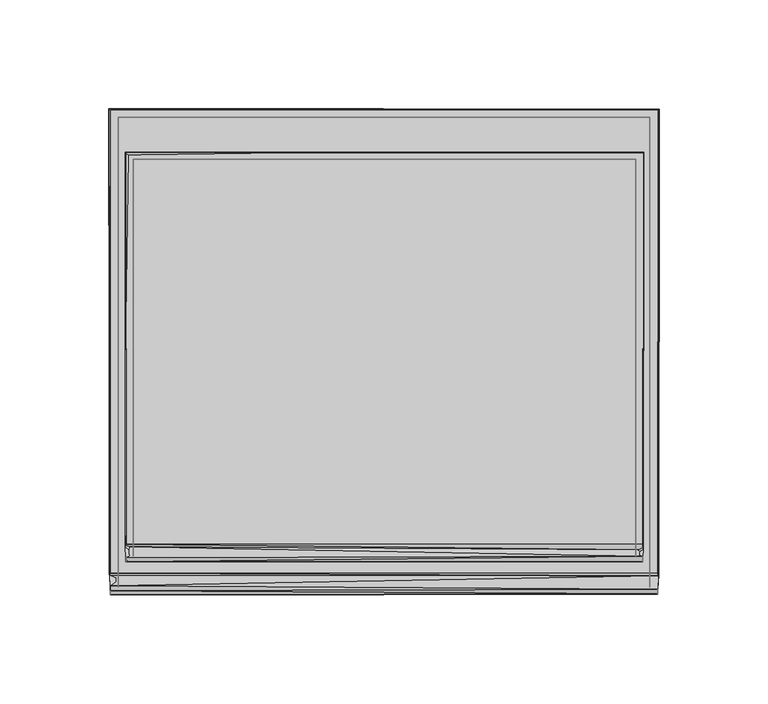
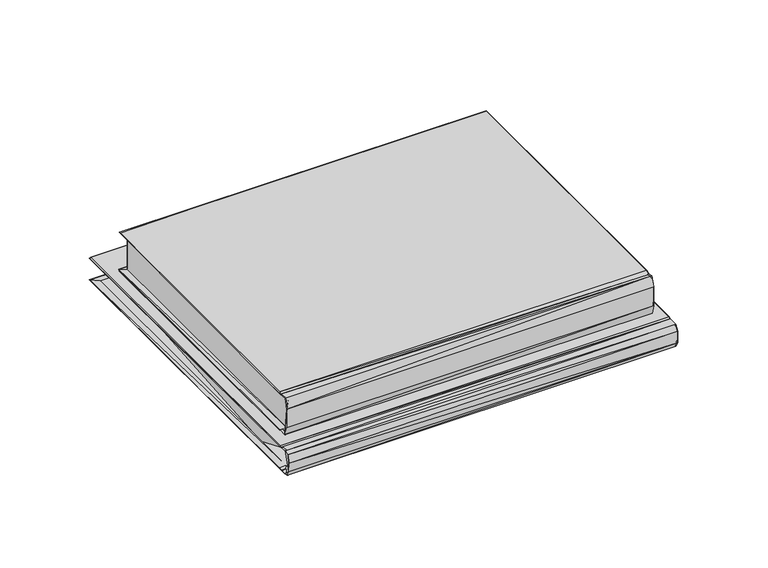
"""IFC4 building model written with IfcOpenShell, lengths in millimetres: furniture geometry."""

from ifc_helpers import new_model, si_unit, origin, place, context, project, spatial, triangles, source, transform, mapped, element, save


def furniture_6673afe1(model_context):
    return source(origin(), model_context, "Body", "Tessellation", [
        triangles([(119.0646256, -89.5897895, 16.9807892), (-118.4763803, -94.0050996, 16.5782055), (-118.772792, -89.4104309, 17.1225218), (118.8466338, -96.4791492, 23.0682277), (118.853165, -94.5050237, 16.6934578), (-118.4794142, -96.4487459, 22.6212301), (-118.4686682, -88.3772818, 16.000964), (118.8545367, 91.350992, 15.9984534), (118.8412653, -88.4458913, 16.0015748), (-118.4883163, 91.3564877, 15.9943623), (-118.8474786, -89.4359835, 41.4897958), (-114.8586142, 88.2196061, 40.9579969), (-114.852519, -92.7507249, 40.5247748), (-118.4843194, -94.511782, 41.8089624), (118.8449987, -93.9834894, 41.9929174), (115.2241714, -92.7465827, 40.5531615), (119.0165453, -90.9712277, 41.2965845), (-118.7665152, 91.5970253, 17.3889777), (-114.8513381, -92.6019422, 17.8105533), (-114.8513744, 88.2134291, 17.5602585), (115.2241351, 88.2135018, 17.5602585), (119.1875832, 91.6386834, 17.453998), (115.2241714, -92.1027539, 17.8423305), (-118.4859727, 91.3542894, 42.5169224), (119.1875832, 91.6386743, 41.0641268), (118.867372, 91.3619742, 42.5099052), (118.8412653, -88.4224008, 42.5167453), (115.2241351, 88.2134201, 40.9578697), (-118.4686682, -88.4225279, 42.5167453), (-118.4735734, -96.4880058, 35.3953618), (118.8489683, -96.4447218, 35.9298222)], [[1, 2, 3], [4, 2, 5], [2, 4, 6], [2, 1, 5], [7, 8, 9], [8, 7, 10], [11, 12, 13], [13, 14, 11], [15, 16, 17], [4, 16, 15], [18, 19, 20], [19, 18, 3], [19, 3, 2], [19, 2, 13], [21, 1, 22], [1, 21, 23], [16, 5, 23], [23, 5, 1], [5, 16, 4], [24, 25, 12], [25, 24, 26], [17, 26, 27], [17, 25, 26], [18, 22, 8], [9, 8, 1], [1, 8, 22], [18, 8, 10], [28, 12, 25], [17, 28, 25], [28, 17, 16], [18, 21, 22], [21, 18, 20], [29, 24, 11], [30, 14, 13], [30, 13, 2], [11, 24, 12], [27, 29, 17], [11, 15, 17], [15, 30, 31], [30, 15, 14], [17, 29, 11], [15, 11, 14], [24, 27, 26], [27, 24, 29], [4, 15, 31], [31, 30, 4], [6, 30, 2], [3, 18, 7], [7, 18, 10], [6, 4, 30], [3, 9, 1], [9, 3, 7]], closed=False),
        triangles([(-126.2067859, -101.0939838, 0.9671971), (-126.2649764, 111.4167548, 0.7542818), (-125.7368927, -101.71454, 0.0080168), (126.2512781, 111.4039195, 0.724122), (-125.7369382, 110.9403486, 4.47e-05), (125.7373379, 110.940394, 4.47e-05), (126.0973813, 111.2654469, 15.3154056), (-126.3221314, 111.468505, 15.512004), (125.7848459, 110.9833329, 16.1965711), (-125.7368927, -101.7386846, 16.2080859), (-125.9457281, -102.5752887, 15.5883063), (-125.7369382, 110.9405121, 16.2161772), (-121.6387872, 107.2424093, 0.960432), (121.6394775, 107.2424275, 0.960432), (-121.6387599, -100.8836223, 1.0005236), (-121.6387872, 107.2425093, 15.2557866), (121.6394775, 107.2425547, 15.2557866), (125.7374014, -101.7146308, 0.0080168), (126.0860538, -102.6618568, 0.5883128), (125.7514994, -111.2093093, 12.1217812), (125.7443414, -111.2728319, 4.4633299), (125.7470575, -109.0264756, 15.7431218), (121.6402315, -106.7282601, 1.1369213), (125.7428517, -108.9555679, 0.447087), (121.6946885, -109.8154082, 5.4538101), (-125.7368927, -103.6770292, 0.4812777), (-125.7487652, -106.874563, 0.0296906), (-125.7368927, -109.2935923, 0.5609095), (-125.7435693, -111.2032959, 4.072033), (-121.6560735, -108.2680008, 1.9633397), (-125.7433331, -111.6520512, 10.2606791), (125.9086392, -102.9458693, 15.6537411), (125.7374014, -101.667359, 16.2084106), (-125.739854, -109.7950606, 14.901877), (-125.7831563, -107.3370983, 16.1625071), (-121.6654752, -104.5168308, 15.0645601), (-121.6738868, -109.666135, 11.357352), (121.6395048, -107.7524981, 14.7508824)], [[1, 2, 3], [4, 5, 2], [5, 4, 6], [7, 8, 9], [10, 8, 11], [12, 9, 8], [13, 4, 2], [4, 13, 14], [15, 2, 1], [2, 15, 13], [7, 16, 8], [16, 7, 17], [18, 4, 19], [20, 21, 22], [19, 23, 24], [24, 25, 21], [21, 25, 22], [18, 6, 4], [3, 18, 26], [19, 27, 26], [28, 21, 29], [21, 28, 24], [26, 18, 19], [27, 19, 24], [24, 28, 27], [6, 3, 5], [3, 6, 18], [27, 1, 3], [26, 27, 3], [28, 29, 27], [27, 29, 30], [5, 3, 2], [29, 21, 31], [32, 7, 9], [32, 9, 33], [20, 31, 21], [34, 35, 29], [31, 34, 29], [36, 35, 11], [37, 29, 35], [12, 8, 10], [32, 10, 11], [10, 32, 33], [32, 11, 35], [22, 34, 20], [31, 20, 34], [35, 22, 32], [22, 35, 34], [33, 12, 10], [12, 33, 9], [24, 23, 25], [19, 14, 23], [14, 19, 4], [27, 15, 1], [15, 27, 30], [30, 29, 37], [7, 38, 17], [38, 7, 32], [25, 38, 22], [38, 32, 22], [16, 11, 8], [11, 16, 36], [37, 35, 36]], closed=False),
        triangles([(115.4766724, 88.4729064, 17.570421), (-115.1040389, 88.4732879, 40.9519471), (115.4766724, 88.4739056, 40.9571612), (-115.1040389, 88.4738329, 17.5617483), (29.6238209, 107.5488223, 0.968799), (-121.9247617, 107.5478685, 15.2428741), (121.9247708, 107.5505573, 15.2548703)], [[1, 2, 3], [1, 4, 2], [5, 6, 7]], closed=False),
        triangles([(-115.1038118, 88.4739964, 17.5607354), (-115.1037845, -93.8738304, 17.560631), (-115.1037845, -93.8250325, 40.9567751), (-115.1038118, 88.4739874, 40.9578243), (115.4764725, -93.8737849, 17.560631), (115.4766724, 88.4740782, 17.5603335), (115.4766724, 88.4739692, 40.9574201), (115.4764725, -93.8249961, 40.9567751), (121.9250887, -108.0980711, 0.9611323), (121.9250524, 107.5507208, 0.9604916), (121.9250524, 107.550739, 15.2555107), (-121.9249252, -108.1558165, 15.255563), (-121.9249615, 107.5505573, 15.2547579), (-121.9249252, -73.5588685, 0.961028), (121.9250887, -108.1557529, 15.255563)], [[1, 2, 3], [3, 4, 1], [5, 6, 7], [5, 7, 8], [9, 10, 11], [12, 13, 14], [11, 15, 9]], closed=False),
    ])


if __name__ == "__main__":
    model = new_model("IFC4")
    model_context = context("Model", 3, world=origin())
    ifc_project = project(units=[si_unit("LENGTHUNIT", "METRE", prefix="MILLI")], contexts=[model_context])
    site = spatial("IfcSite", under=ifc_project)
    building = spatial("IfcBuilding", under=site)
    placement = place(None, origin())
    furniture_shape = furniture_6673afe1(model_context)
    element("IfcFurniture", 1, at=placement, inside=building, context=model_context, shape_type="MappedRepresentation", body=[
        mapped(furniture_shape, transform((0.0, 0.0, 0.0), x_axis=(1.0, 0.0, 0.0), y_axis=(0.0, 1.0, 0.0), z_axis=(0.0, 0.0, 1.0))),
    ])
    save(model, "model.ifc")
